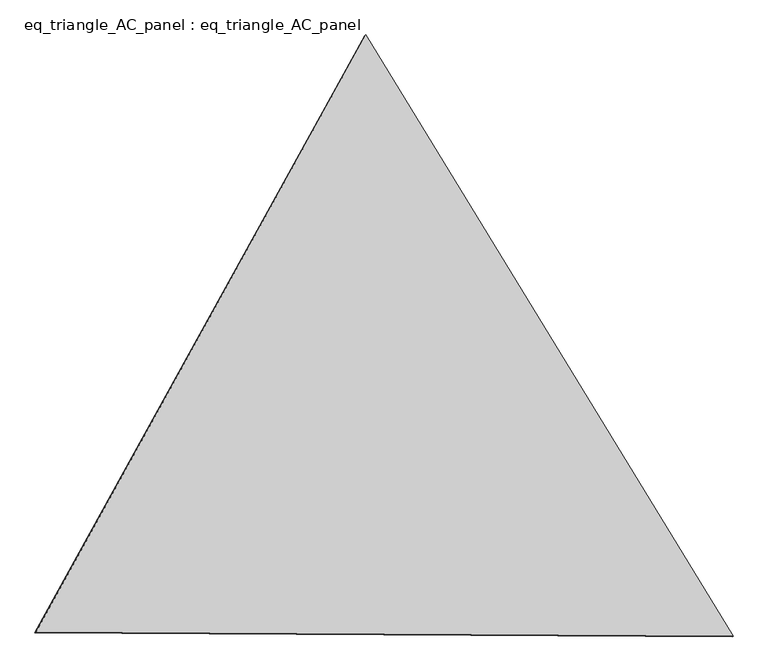
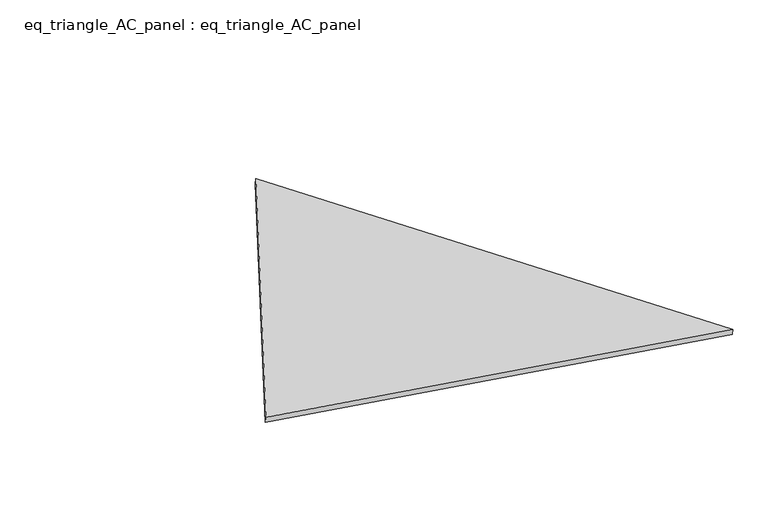
"""IFC4 building model written with IfcOpenShell, lengths in millimetres: proxy geometry, eq_triangle_AC_panel : eq_triangle_AC_panel."""

from ifc_helpers import new_model, si_unit, frame, origin, place, context, project, spatial, polyline, outline, extrude, source, transform, mapped, element, save


def eq_triangle_ac_panel_eq_triangle_ac_panel_b86c2e8a(model_context):
    return source(origin(), model_context, "Body", "SweptSolid", [
        extrude(outline(polyline([(-2032.8168118, 1173.1611842), (2091.3206333, 1173.1611842), (-58.5038216, -2346.3223686), (-2032.8168118, 1173.1611842)])), frame((-6.3631761, 524.2531996, 46.6143561), z_axis=(0.14526328518058199, 0.08386570281802162, 0.9858321976225894), x_axis=(0.5211285240163614, -0.8534679609956727, -0.0041834208989158855)), (0.0, 0.0, 1.0), 43.8306294),
    ])


if __name__ == "__main__":
    model = new_model("IFC4")
    model_context = context("Model", 3, world=origin())
    ifc_project = project(units=[si_unit("LENGTHUNIT", "METRE", prefix="MILLI")], contexts=[model_context])
    site = spatial("IfcSite", under=ifc_project)
    building = spatial("IfcBuilding", under=site)
    placement = place(None, origin())
    eq_triangle_ac_panel_eq_triangle_ac_panel_shape = eq_triangle_ac_panel_eq_triangle_ac_panel_b86c2e8a(model_context)
    element("IfcBuildingElementProxy", 1, Name="eq_triangle_AC_panel : eq_triangle_AC_panel", ObjectType="eq_triangle_AC_panel : eq_triangle_AC_panel", at=placement, inside=building, context=model_context, shape_type="MappedRepresentation", body=[
        mapped(eq_triangle_ac_panel_eq_triangle_ac_panel_shape, transform((0.0, 0.0, 0.0), x_axis=(1.0, 0.0, 0.0), y_axis=(0.0, 1.0, 0.0), z_axis=(0.0, 0.0, 1.0))),
    ])
    save(model, "model.ifc")
